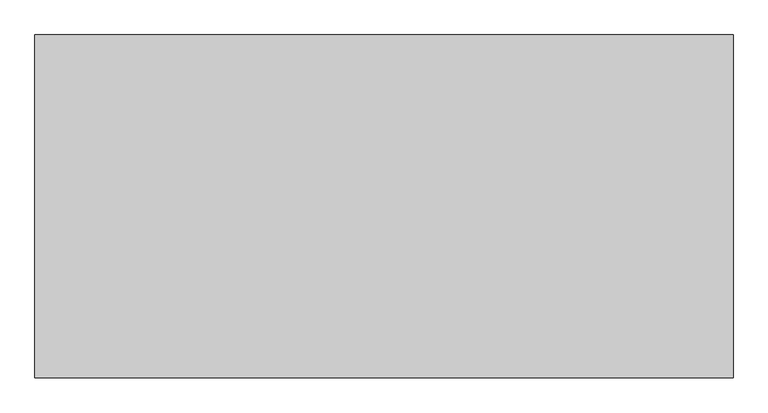
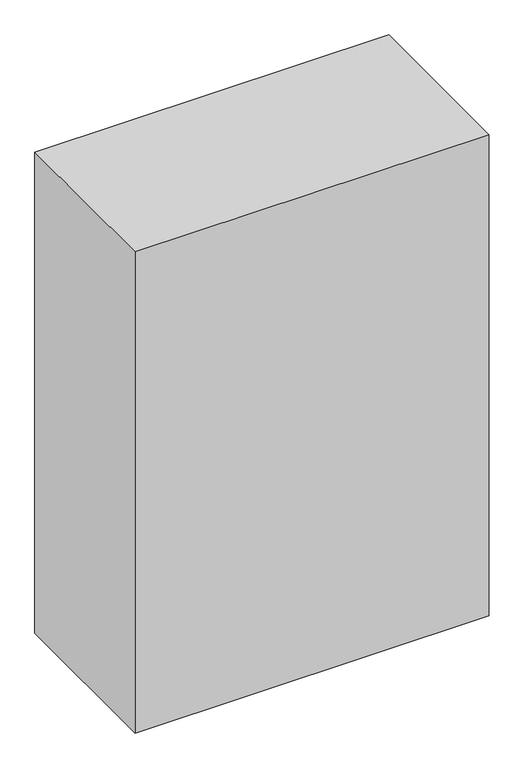
"""IFC4 building model written with IfcOpenShell, lengths in millimetres: proxy geometry."""

from ifc_helpers import new_model, si_unit, frame, origin, place, context, project, spatial, polyline, outline, extrude, source, transform, mapped, element, save


def specialty_equipment_a7dfd289(model_context):
    return source(origin(), model_context, "Body", "SweptSolid", [
        extrude(outline(polyline([(698.5, 342.9), (698.5, -342.9), (-698.5, -342.9), (-698.5, 342.9), (698.5, 342.9)])), frame((0.0, 0.0, 101.6), z_axis=(0.0, 0.0, 1.0), x_axis=(1.0, 0.0, 0.0)), (0.0, 0.0, 1.0), 2006.6),
    ])


if __name__ == "__main__":
    model = new_model("IFC4")
    model_context = context("Model", 3, world=origin())
    ifc_project = project(units=[si_unit("LENGTHUNIT", "METRE", prefix="MILLI")], contexts=[model_context])
    site = spatial("IfcSite", under=ifc_project)
    building = spatial("IfcBuilding", under=site)
    placement = place(None, origin())
    specialty_equipment_shape = specialty_equipment_a7dfd289(model_context)
    element("IfcBuildingElementProxy", 1, Name="Specialty Equipment", at=placement, inside=building, context=model_context, shape_type="MappedRepresentation", body=[
        mapped(specialty_equipment_shape, transform((0.0, 0.0, 0.0), x_axis=(1.0, 0.0, 0.0), y_axis=(0.0, 1.0, 0.0), z_axis=(0.0, 0.0, 1.0))),
    ])
    save(model, "model.ifc")
